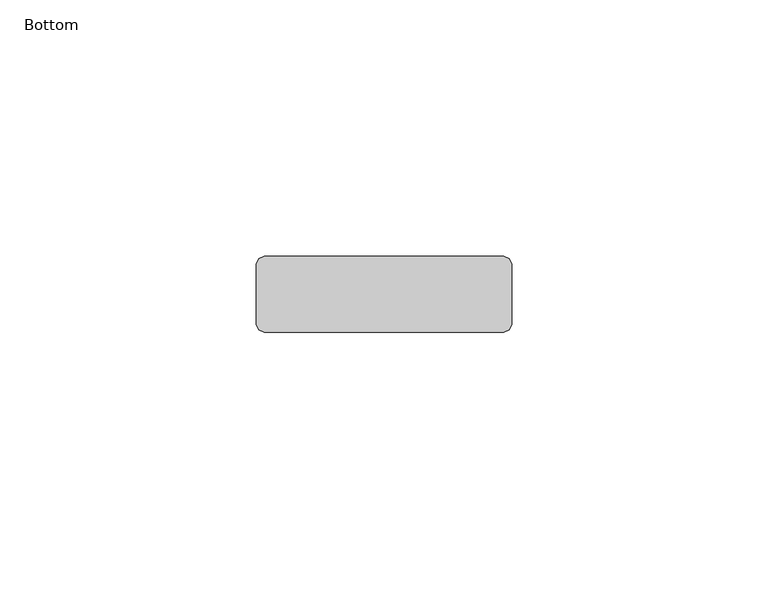
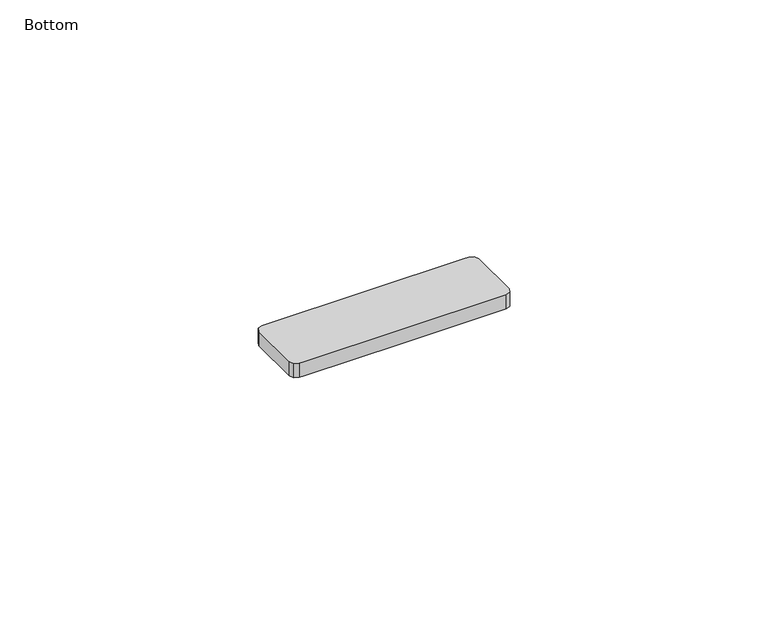
"""IFC4 building model written with IfcOpenShell, lengths in millimetres: furniture geometry, Bottom."""

import ifcopenshell
import ifcopenshell.guid

model = None  # the IFC model being written
_history = None  # IfcOwnerHistory: only IFC2X3 demands one
_inside = {}  # id of a spatial element -> (the spatial element, [elements in it])
_under = {}  # id of a project, library or spatial element -> (it, [spatial elements below it])
_declared = {}  # id of a project -> (the project, [libraries it declares])
_typed = {}  # id of a type object -> (the type object, [elements of that type])
_made_of = {}  # id of a material, layer set ... -> (it, [elements and type objects made of it])


def new_model(schema):
    """Start an empty IFC model of exactly this schema.

    Asked for "IFC4X3", IfcOpenShell would pick the latest addendum, in which some entities
    have other attributes; the version numbers below select the first issue.
    IFC2X3 requires an IfcOwnerHistory on every rooted entity: one is made here for all.
    """
    global model, _history
    if schema == "IFC4X3":
        model = ifcopenshell.file(schema_version=(4, 3, 0, 0))
    else:
        model = ifcopenshell.file(schema=schema)
    _inside.clear()
    _under.clear()
    _declared.clear()
    _typed.clear()
    _made_of.clear()
    _history = None
    if model.schema == "IFC2X3":
        org = make("IfcOrganization", Name="unknown")
        user = make(
            "IfcPersonAndOrganization",
            ThePerson=make("IfcPerson", FamilyName="unknown"),
            TheOrganization=org,
        )
        app = make(
            "IfcApplication",
            ApplicationDeveloper=org,
            Version="unknown",
            ApplicationFullName="unknown",
            ApplicationIdentifier="unknown",
        )
        _history = make(
            "IfcOwnerHistory",
            OwningUser=user,
            OwningApplication=app,
            ChangeAction="ADDED",
            CreationDate=0,
        )
    return model


def make(cls, **values):
    """One entity of the class cls with the attributes given. An attribute that is None is left unset."""
    return model.create_entity(
        cls, **{name: value for name, value in values.items() if value is not None}
    )


def rooted(cls, **values):
    """An entity with a GlobalId (a new one), such as an element, a storey or a relation."""
    return make(cls, GlobalId=ifcopenshell.guid.new(), OwnerHistory=_history, **values)


def si_unit(unit_type, name, prefix=None):
    """IfcSIUnit, for example si_unit("LENGTHUNIT", "METRE", prefix="MILLI")."""
    return make("IfcSIUnit", UnitType=unit_type, Prefix=prefix, Name=name)


def assignment(units):
    """IfcUnitAssignment: the units of a project."""
    return None if units is None else make("IfcUnitAssignment", Units=units)


def point(xyz):
    """IfcCartesianPoint."""
    return None if xyz is None else make("IfcCartesianPoint", Coordinates=xyz)


def direction(xyz):
    """IfcDirection."""
    return None if xyz is None else make("IfcDirection", DirectionRatios=xyz)


def frame(location, z_axis=None, x_axis=None):
    """IfcAxis2Placement3D, a coordinate frame: its origin and axes. An axis left out is left unset."""
    return make(
        "IfcAxis2Placement3D",
        Location=point(location),
        Axis=direction(z_axis),
        RefDirection=direction(x_axis),
    )


def origin():
    """The frame at (0, 0, 0) with its axes left unset."""
    return frame((0.0, 0.0, 0.0))


def place(relative_to, where):
    """IfcLocalPlacement: puts the frame where relative to a parent placement (None: the world)."""
    return make(
        "IfcLocalPlacement", PlacementRelTo=relative_to, RelativePlacement=where
    )


def context(
    kind, dimensions, precision=None, world=None, true_north=None, identifier=None
):
    """IfcGeometricRepresentationContext, for example the 3D "Model" context."""
    return make(
        "IfcGeometricRepresentationContext",
        ContextIdentifier=identifier,
        ContextType=kind,
        CoordinateSpaceDimension=dimensions,
        Precision=precision,
        WorldCoordinateSystem=world,
        TrueNorth=true_north,
    )


def project(units=None, contexts=None):
    """IfcProject with its units and contexts."""
    return rooted(
        "IfcProject",
        Name="project",
        RepresentationContexts=contexts,
        UnitsInContext=assignment(units),
    )


def spatial(cls, under=None, at=None, **own):
    """A site, building, storey or space (cls), placed at a placement, below another one or the project."""
    s = rooted(cls, ObjectPlacement=at, **own)
    if under is not None:
        _under.setdefault(under.id(), (under, []))[1].append(s)
    return s


def polyline(points):
    """IfcPolyline through the points."""
    return make("IfcPolyline", Points=[point(p) for p in points])


def outline(outer, holes=None, kind="AREA"):
    """IfcArbitraryClosedProfileDef: a profile drawn as a closed curve; with holes, ...WithVoids."""
    if holes is None:
        return make("IfcArbitraryClosedProfileDef", ProfileType=kind, OuterCurve=outer)
    return make(
        "IfcArbitraryProfileDefWithVoids",
        ProfileType=kind,
        OuterCurve=outer,
        InnerCurves=holes,
    )


def extrude(swept, where, along, depth):
    """IfcExtrudedAreaSolid: the profile swept, set in the frame where, extruded along a direction by depth."""
    return make(
        "IfcExtrudedAreaSolid",
        SweptArea=swept,
        Position=where,
        ExtrudedDirection=direction(along),
        Depth=depth,
    )


def faces_of(points, faces, orient=None, outer=None):
    """IfcFace entities. A face is a list of loops; a loop is a list of indices into points, from 0.

    orient and outer hold one flag for each loop. By default every Orientation is true, the
    first loop of a face is its IfcFaceOuterBound and the others are IfcFaceBound.
    """
    made = []
    for i, loops in enumerate(faces):
        bounds = []
        for j, loop in enumerate(loops):
            is_outer = j == 0 if outer is None else outer[i][j]
            bounds.append(
                make(
                    "IfcFaceOuterBound" if is_outer else "IfcFaceBound",
                    Bound=make("IfcPolyLoop", Polygon=[points[k] for k in loop]),
                    Orientation=True if orient is None else orient[i][j],
                )
            )
        made.append(make("IfcFace", Bounds=bounds))
    return made


def faceted_brep(points, faces, orient=None, outer=None, voids=None):
    """IfcFacetedBrep: a solid bounded by flat faces; with voids (closed shells), ...WithVoids."""
    shared = [point(p) for p in points]
    hull = make("IfcClosedShell", CfsFaces=faces_of(shared, faces, orient, outer))
    if voids is None:
        return make("IfcFacetedBrep", Outer=hull)
    return make(
        "IfcFacetedBrepWithVoids",
        Outer=hull,
        Voids=[
            make(cls, CfsFaces=faces_of(shared, fs, o, b)) for cls, fs, o, b in voids
        ],
    )


def shape(context_of_items, identifier, shape_type, items):
    """IfcShapeRepresentation: the items that make up one representation, for example the "Body"."""
    return make(
        "IfcShapeRepresentation",
        ContextOfItems=context_of_items,
        RepresentationIdentifier=identifier,
        RepresentationType=shape_type,
        Items=items,
    )


def source(mapping_origin, context_of_items, identifier, shape_type, items):
    """IfcRepresentationMap: a shape defined once, which mapped items show again and again."""
    return make(
        "IfcRepresentationMap",
        MappingOrigin=mapping_origin,
        MappedRepresentation=shape(context_of_items, identifier, shape_type, items),
    )


def transform(
    local_origin,
    x_axis=None,
    y_axis=None,
    z_axis=None,
    scale=None,
    scale2=None,
    scale3=None,
    uniform=True,
):
    """IfcCartesianTransformationOperator3D, or its non-uniform kind. x_axis, y_axis, z_axis: its Axis1, 2, 3."""
    if uniform:
        return make(
            "IfcCartesianTransformationOperator3D",
            Axis1=direction(x_axis),
            Axis2=direction(y_axis),
            LocalOrigin=point(local_origin),
            Scale=scale,
            Axis3=direction(z_axis),
        )
    return make(
        "IfcCartesianTransformationOperator3DnonUniform",
        Axis1=direction(x_axis),
        Axis2=direction(y_axis),
        LocalOrigin=point(local_origin),
        Scale=scale,
        Axis3=direction(z_axis),
        Scale2=scale2,
        Scale3=scale3,
    )


def mapped(mapping_source, mapping_target):
    """IfcMappedItem: shows the shape of a source again, moved by a transform."""
    return make(
        "IfcMappedItem", MappingSource=mapping_source, MappingTarget=mapping_target
    )


def made_of(thing, what):
    """Note that an element or type object is made of a material, layer set ...; save() writes the relation."""
    if what is not None:
        _made_of.setdefault(what.id(), (what, []))[1].append(thing)
    return thing


def element(
    cls,
    number,
    at=None,
    inside=None,
    cuts=None,
    type_object=None,
    material=None,
    context=None,
    identifier="Body",
    shape_type=None,
    held_by="IfcProductDefinitionShape",
    body=None,
    shapes=None,
    **own,
):
    """One element of the class cls, such as IfcWall. Its Tag is "e" and its number.

    at: its placement. inside: the storey or other place that contains it. cuts: it is an
    opening in that element (IfcRelVoidsElement). A single representation is given by context,
    identifier, shape_type and body (its items); several are given by shapes. held_by: the class
    of the entity that holds the representations. save() writes the other relations.
    """
    e = rooted(cls, Tag="e%d" % number, ObjectPlacement=at, **own)
    if body is not None:
        shapes = [shape(context, identifier, shape_type, body)]
    if shapes is not None:
        e.Representation = make(held_by, Representations=shapes)
    if inside is not None:
        _inside.setdefault(inside.id(), (inside, []))[1].append(e)
    if cuts is not None:
        rooted(
            "IfcRelVoidsElement", RelatingBuildingElement=cuts, RelatedOpeningElement=e
        )
    if type_object is not None:
        _typed.setdefault(type_object.id(), (type_object, []))[1].append(e)
    return made_of(e, material)


def aggregate(whole, parts):
    """IfcRelAggregates: a whole, such as a stair, and the parts it consists of."""
    return rooted("IfcRelAggregates", RelatingObject=whole, RelatedObjects=parts)


def save(model, path):
    """Write the relations noted so far, then the file.

    IfcRelAggregates (storeys below a building ...), IfcRelContainedInSpatialStructure (elements
    in a storey), IfcRelDefinesByType, IfcRelAssociatesMaterial and IfcRelDeclares: one each for
    every whole, place, type object, material and project.
    """
    for whole, parts in _under.values():
        aggregate(whole, parts)
    for where, things in _inside.values():
        rooted(
            "IfcRelContainedInSpatialStructure",
            RelatedElements=things,
            RelatingStructure=where,
        )
    for kind, things in _typed.values():
        rooted("IfcRelDefinesByType", RelatedObjects=things, RelatingType=kind)
    for what, things in _made_of.values():
        rooted("IfcRelAssociatesMaterial", RelatedObjects=things, RelatingMaterial=what)
    for by, libraries in _declared.values():
        rooted("IfcRelDeclares", RelatingContext=by, RelatedDefinitions=libraries)
    model.write(path)


def bottom_0579263d(model_context):
    return source(origin(), model_context, "Body", "SolidModel", [
        faceted_brep([(24.4619302, 6.9606602, 735.7646997), (24.4619302, 6.9606602, 732.4137051), (23.4012694, 7.4000003, 732.4137051), (23.4012694, 7.4000003, 735.7646997), (24.9012689, 5.9000026, 735.7646997), (24.9012689, 5.9000026, 732.4137051), (24.4619302, -6.9606602, 735.7646997), (24.4619302, -6.9606602, 732.4137051), (24.9012689, -5.9000026, 732.4137051), (24.9012689, -5.9000026, 735.7646997), (23.4012694, -7.4000003, 735.7646997), (23.4012694, -7.4000003, 732.4137051), (-24.4619302, 6.9606602, 735.7646997), (-24.4619302, 6.9606602, 732.4137051), (-24.9012689, 5.9000026, 732.4137051), (-24.9012689, 5.9000026, 735.7646997), (-23.4012694, 7.4000003, 735.7646997), (-23.4012694, 7.4000003, 732.4137051), (-24.4619302, -6.9606602, 735.7646997), (-24.4619302, -6.9606602, 732.4137051), (-23.4012694, -7.4000003, 732.4137051), (-23.4012694, -7.4000003, 735.7646997), (-24.9012689, -5.9000026, 735.7646997), (-24.9012689, -5.9000026, 732.4137051), (22.3537534, -7.4000003, 735.7646997), (-22.3537534, -7.4000003, 735.7646997), (-22.3537534, -7.4000003, 732.4137051), (0.0, -7.4000003, 732.4137051), (22.3537534, -7.4000003, 732.4137051), (22.3537534, 7.4000003, 732.4137051), (0.0, 7.4000003, 732.4137051), (-22.3537534, 7.4000003, 732.4137051), (-22.3537534, 7.4000003, 735.7646997), (22.3537534, 7.4000003, 735.7646997)], [[[0, 1, 2, 3]], [[1, 0, 4, 5]], [[6, 7, 8, 9]], [[7, 6, 10, 11]], [[12, 13, 14, 15]], [[13, 12, 16, 17]], [[18, 19, 20, 21]], [[19, 18, 22, 23]], [[10, 24, 25, 21, 20, 26, 27, 28, 11]], [[2, 29, 30, 31, 17, 16, 32, 33, 3]], [[24, 10, 6, 9, 4, 0, 3, 33, 32, 16, 12, 15, 22, 18, 21, 25]], [[4, 9, 8, 5]], [[27, 30, 29, 2, 1, 5, 8, 7, 11, 28]], [[30, 27, 26, 20, 19, 23, 14, 13, 17, 31]], [[14, 23, 22, 15]]]),
        extrude(outline(polyline([(17.4637698, -5.2499998), (14.8387699, -4.5466332), (12.9171372, -2.6249999), (12.2137701, 0.0), (12.9171372, 2.6249999), (14.8387699, 4.5466332), (17.4637698, 5.2499998), (20.0887697, 4.5466332), (22.0104025, 2.6249999), (22.7137707, 0.0), (22.0104025, -2.6249999), (20.0887697, -4.5466332), (17.4637698, -5.2499998)])), frame((0.0, 0.0, 732.155), z_axis=(0.0, 0.0, 1.0), x_axis=(1.0, 0.0, 0.0)), (0.0, 0.0, 1.0), 0.2587051),
        extrude(outline(polyline([(-17.4637698, -5.2499998), (-20.0887697, -4.5466332), (-22.0104025, -2.6249999), (-22.7137707, 0.0), (-22.0104025, 2.6249999), (-20.0887697, 4.5466332), (-17.4637698, 5.2499998), (-14.8387699, 4.5466332), (-12.9171372, 2.6249999), (-12.2137701, 0.0), (-12.9171372, -2.6249999), (-14.8387699, -4.5466332), (-17.4637698, -5.2499998)])), frame((0.0, 0.0, 732.155), z_axis=(0.0, 0.0, 1.0), x_axis=(1.0, 0.0, 0.0)), (0.0, 0.0, 1.0), 0.2587051),
    ])


if __name__ == "__main__":
    model = new_model("IFC4")
    model_context = context("Model", 3, world=origin())
    ifc_project = project(units=[si_unit("LENGTHUNIT", "METRE", prefix="MILLI")], contexts=[model_context])
    site = spatial("IfcSite", under=ifc_project)
    building = spatial("IfcBuilding", under=site)
    placement = place(None, origin())
    bottom_shape = bottom_0579263d(model_context)
    element("IfcFurniture", 1, ObjectType="Bottom", at=placement, inside=building, context=model_context, shape_type="MappedRepresentation", body=[
        mapped(bottom_shape, transform((0.0, 0.0, 0.0), x_axis=(1.0, 0.0, 0.0), y_axis=(0.0, 1.0, 0.0), z_axis=(0.0, 0.0, 1.0))),
    ])
    save(model, "model.ifc")
